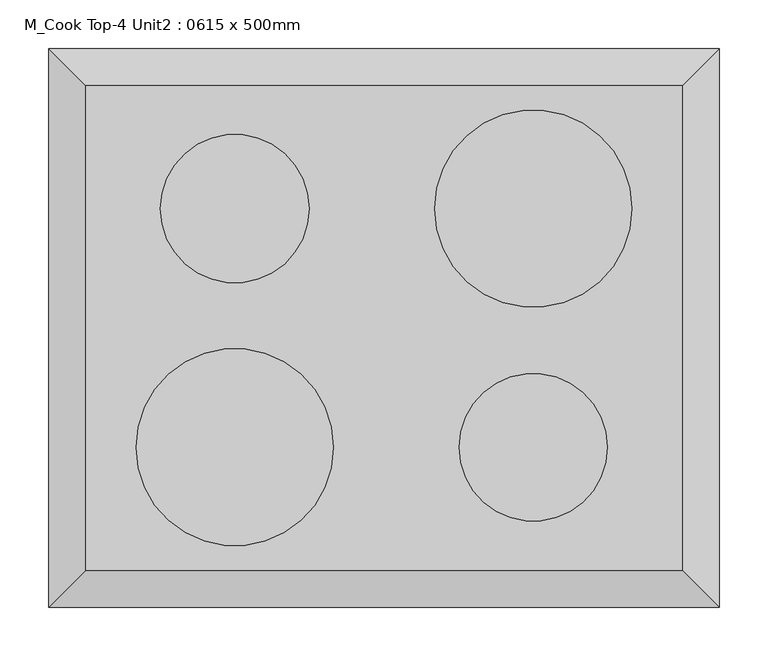
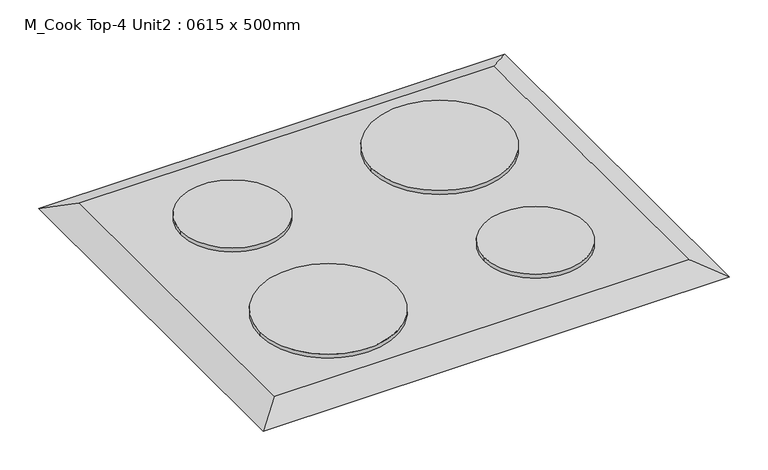
"""IFC4 building model written with IfcOpenShell, lengths in millimetres: proxy geometry, M_Cook Top-4 Unit2 : 0615 x 500mm."""

from ifc_helpers import new_model, si_unit, point, frame, frame_2d, origin, place, context, project, spatial, circle_curve, trimmed, segment, composite_curve, outline, extrude, faceted_brep, source, transform, mapped, element, save


def m_cook_top_4_unit2_0615_x_500mm_249f3515(model_context):
    return source(origin(), model_context, "Body", "SolidModel", [
        faceted_brep([(307.5, 250.0, 918.0), (-307.5, 250.0, 918.0), (-307.5, -250.0, 918.0), (307.5, -250.0, 918.0), (345.6, 288.1, 900.0), (345.6, -288.1, 900.0), (-345.6, -288.1, 900.0), (-345.6, 288.1, 900.0)], [[[0, 1, 2, 3]], [[4, 5, 6, 7]], [[4, 7, 1, 0]], [[7, 6, 2, 1]], [[6, 5, 3, 2]], [[5, 4, 0, 3]]]),
        extrude(outline(composite_curve([segment(trimmed(circle_curve(frame_2d((153.75, -123.0)), 76.2), [point((77.55, -123.0))], [point((229.95, -123.0))], False, "CARTESIAN"), True, "CONTINUOUS"), segment(trimmed(circle_curve(frame_2d((153.75, -123.0)), 76.2), [point((229.95, -123.0))], [point((77.55, -123.0))], False, "CARTESIAN"), True, "CONTINUOUS")], self_intersect=False)), frame((0.0, 0.0, 918.0), z_axis=(0.0, 0.0, 1.0), x_axis=(1.0, 0.0, 0.0)), (0.0, 0.0, 1.0), 6.35),
        extrude(outline(composite_curve([segment(trimmed(circle_curve(frame_2d((153.75, 123.0)), 101.6), [point((52.15, 123.0))], [point((255.35, 123.0))], False, "CARTESIAN"), True, "CONTINUOUS"), segment(trimmed(circle_curve(frame_2d((153.75, 123.0)), 101.6), [point((255.35, 123.0))], [point((52.15, 123.0))], False, "CARTESIAN"), True, "CONTINUOUS")], self_intersect=False)), frame((0.0, 0.0, 918.0), z_axis=(0.0, 0.0, 1.0), x_axis=(1.0, 0.0, 0.0)), (0.0, 0.0, 1.0), 6.35),
        extrude(outline(composite_curve([segment(trimmed(circle_curve(frame_2d((-153.75, 123.0)), 76.59), [point((-230.34, 123.0))], [point((-77.16, 123.0))], False, "CARTESIAN"), True, "CONTINUOUS"), segment(trimmed(circle_curve(frame_2d((-153.75, 123.0)), 76.59), [point((-77.16, 123.0))], [point((-230.34, 123.0))], False, "CARTESIAN"), True, "CONTINUOUS")], self_intersect=False)), frame((0.0, 0.0, 918.0), z_axis=(0.0, 0.0, 1.0), x_axis=(1.0, 0.0, 0.0)), (0.0, 0.0, 1.0), 6.35),
        extrude(outline(composite_curve([segment(trimmed(circle_curve(frame_2d((-153.75, -123.0)), 101.6), [point((-52.15, -123.0))], [point((-255.35, -123.0))], False, "CARTESIAN"), True, "CONTINUOUS"), segment(trimmed(circle_curve(frame_2d((-153.75, -123.0)), 101.6), [point((-255.35, -123.0))], [point((-52.15, -123.0))], False, "CARTESIAN"), True, "CONTINUOUS")], self_intersect=False)), frame((0.0, 0.0, 918.0), z_axis=(0.0, 0.0, 1.0), x_axis=(1.0, 0.0, 0.0)), (0.0, 0.0, 1.0), 6.35),
    ])


if __name__ == "__main__":
    model = new_model("IFC4")
    model_context = context("Model", 3, world=origin())
    ifc_project = project(units=[si_unit("LENGTHUNIT", "METRE", prefix="MILLI")], contexts=[model_context])
    site = spatial("IfcSite", under=ifc_project)
    building = spatial("IfcBuilding", under=site)
    placement = place(None, origin())
    m_cook_top_4_unit2_0615_x_500mm_shape = m_cook_top_4_unit2_0615_x_500mm_249f3515(model_context)
    element("IfcBuildingElementProxy", 1, Name="M_Cook Top-4 Unit2 : 0615 x 500mm", ObjectType="M_Cook Top-4 Unit2 : 0615 x 500mm", at=placement, inside=building, context=model_context, shape_type="MappedRepresentation", body=[
        mapped(m_cook_top_4_unit2_0615_x_500mm_shape, transform((0.0, 0.0, 0.0), x_axis=(1.0, 0.0, 0.0), y_axis=(0.0, 1.0, 0.0), z_axis=(0.0, 0.0, 1.0))),
    ])
    save(model, "model.ifc")
